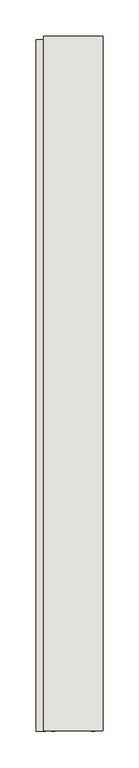
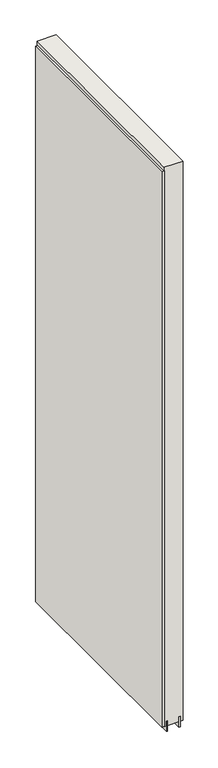
"""IFC4 building model written with IfcOpenShell, lengths in millimetres: wall geometry."""

from ifc_helpers import new_model, si_unit, frame, origin, place, context, project, spatial, polyline, outline, extrude, source, transform, mapped, element, save


def wall_a7257838(model_context):
    return source(origin(), model_context, "Body", "SweptSolid", [
        extrude(outline(polyline([(53242.882211, -46661.6988024), (53242.882211, -46664.2388024), (53240.342211, -46664.2388024), (53240.342211, -46661.6988024), (53242.882211, -46661.6988024)])), frame((0.0, 0.0, 4419.6), z_axis=(0.0, 0.0, 1.0), x_axis=(1.0, 0.0, 0.0)), (0.0, 0.0, 1.0), 2.54),
        extrude(outline(polyline([(53190.812211, -47615.8993578), (53190.812211, -46666.1659258), (53203.512211, -46666.1659258), (53203.512211, -47615.8993578), (53190.812211, -47615.8993578)])), frame((0.0, 0.0, 4445.0), z_axis=(0.0, 0.0, 1.0), x_axis=(1.0, 0.0, 0.0)), (0.0, 0.0, 1.0), 2545.0498756),
        extrude(outline(polyline([(53216.5284664, -46661.7037554), (53216.5284664, -47615.4253938), (53211.449711, -47615.4253938), (53211.449711, -46661.7037554), (53216.5284664, -46661.7037554)])), frame((0.0, 0.0, 4418.6602), z_axis=(0.0, 0.0, 1.0), x_axis=(1.0, 0.0, 0.0)), (0.0, 0.0, 1.0), 47.625),
        extrude(outline(polyline([(53216.5284664, -46661.7037554), (53216.5284664, -47615.4253938), (53211.449711, -47615.4253938), (53211.449711, -46661.7037554), (53216.5284664, -46661.7037554)])), frame((0.0, 0.0, 4418.6602), z_axis=(0.0, 0.0, 1.0), x_axis=(1.0, 0.0, 0.0)), (0.0, 0.0, 1.0), 47.625),
        extrude(outline(polyline([(53266.6959556, -47615.4253938), (53266.6959556, -46661.7037554), (53271.774711, -46661.7037554), (53271.774711, -47615.4253938), (53266.6959556, -47615.4253938)])), frame((0.0, 0.0, 4418.6602), z_axis=(0.0, 0.0, 1.0), x_axis=(1.0, 0.0, 0.0)), (0.0, 0.0, 1.0), 47.625),
        extrude(outline(polyline([(53266.6959556, -47615.4253938), (53266.6959556, -46661.7037554), (53271.774711, -46661.7037554), (53271.774711, -47615.4253938), (53266.6959556, -47615.4253938)])), frame((0.0, 0.0, 4418.6602), z_axis=(0.0, 0.0, 1.0), x_axis=(1.0, 0.0, 0.0)), (0.0, 0.0, 1.0), 47.625),
        extrude(outline(polyline([(53200.9573266, -46661.7037554), (53282.2670954, -46661.7037554), (53282.2670954, -47615.4253938), (53200.9573266, -47615.4253938), (53200.9573266, -46661.7037554)])), frame((0.0, 0.0, 4445.0), z_axis=(0.0, 0.0, 1.0), x_axis=(1.0, 0.0, 0.0)), (0.0, 0.0, 1.0), 2562.4536762),
    ])


if __name__ == "__main__":
    model = new_model("IFC4")
    model_context = context("Model", 3, world=origin())
    ifc_project = project(units=[si_unit("LENGTHUNIT", "METRE", prefix="MILLI")], contexts=[model_context])
    site = spatial("IfcSite", under=ifc_project)
    building = spatial("IfcBuilding", under=site)
    placement = place(None, origin())
    wall_shape = wall_a7257838(model_context)
    element("IfcWall", 1, at=placement, inside=building, context=model_context, shape_type="MappedRepresentation", body=[
        mapped(wall_shape, transform((0.0, 0.0, 0.0), x_axis=(1.0, 0.0, 0.0), y_axis=(0.0, 1.0, 0.0), z_axis=(0.0, 0.0, 1.0))),
    ])
    save(model, "model.ifc")
